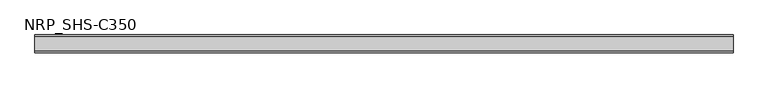
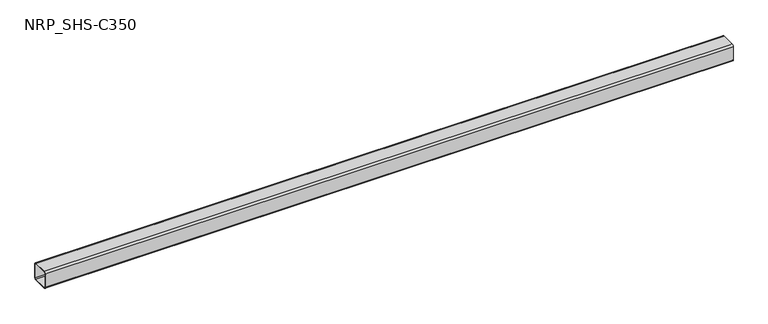
"""IFC4 building model written with IfcOpenShell, lengths in millimetres: member geometry, NRP_SHS-C350."""

import ifcopenshell
import ifcopenshell.guid

model = None  # the IFC model being written
_history = None  # IfcOwnerHistory: only IFC2X3 demands one
_inside = {}  # id of a spatial element -> (the spatial element, [elements in it])
_under = {}  # id of a project, library or spatial element -> (it, [spatial elements below it])
_declared = {}  # id of a project -> (the project, [libraries it declares])
_typed = {}  # id of a type object -> (the type object, [elements of that type])
_made_of = {}  # id of a material, layer set ... -> (it, [elements and type objects made of it])


def new_model(schema):
    """Start an empty IFC model of exactly this schema.

    Asked for "IFC4X3", IfcOpenShell would pick the latest addendum, in which some entities
    have other attributes; the version numbers below select the first issue.
    IFC2X3 requires an IfcOwnerHistory on every rooted entity: one is made here for all.
    """
    global model, _history
    if schema == "IFC4X3":
        model = ifcopenshell.file(schema_version=(4, 3, 0, 0))
    else:
        model = ifcopenshell.file(schema=schema)
    _inside.clear()
    _under.clear()
    _declared.clear()
    _typed.clear()
    _made_of.clear()
    _history = None
    if model.schema == "IFC2X3":
        org = make("IfcOrganization", Name="unknown")
        user = make(
            "IfcPersonAndOrganization",
            ThePerson=make("IfcPerson", FamilyName="unknown"),
            TheOrganization=org,
        )
        app = make(
            "IfcApplication",
            ApplicationDeveloper=org,
            Version="unknown",
            ApplicationFullName="unknown",
            ApplicationIdentifier="unknown",
        )
        _history = make(
            "IfcOwnerHistory",
            OwningUser=user,
            OwningApplication=app,
            ChangeAction="ADDED",
            CreationDate=0,
        )
    return model


def make(cls, **values):
    """One entity of the class cls with the attributes given. An attribute that is None is left unset."""
    return model.create_entity(
        cls, **{name: value for name, value in values.items() if value is not None}
    )


def rooted(cls, **values):
    """An entity with a GlobalId (a new one), such as an element, a storey or a relation."""
    return make(cls, GlobalId=ifcopenshell.guid.new(), OwnerHistory=_history, **values)


def si_unit(unit_type, name, prefix=None):
    """IfcSIUnit, for example si_unit("LENGTHUNIT", "METRE", prefix="MILLI")."""
    return make("IfcSIUnit", UnitType=unit_type, Prefix=prefix, Name=name)


def assignment(units):
    """IfcUnitAssignment: the units of a project."""
    return None if units is None else make("IfcUnitAssignment", Units=units)


def point(xyz):
    """IfcCartesianPoint."""
    return None if xyz is None else make("IfcCartesianPoint", Coordinates=xyz)


def direction(xyz):
    """IfcDirection."""
    return None if xyz is None else make("IfcDirection", DirectionRatios=xyz)


def frame(location, z_axis=None, x_axis=None):
    """IfcAxis2Placement3D, a coordinate frame: its origin and axes. An axis left out is left unset."""
    return make(
        "IfcAxis2Placement3D",
        Location=point(location),
        Axis=direction(z_axis),
        RefDirection=direction(x_axis),
    )


def frame_2d(location, x_axis=None):
    """IfcAxis2Placement2D, a coordinate frame in the plane: its origin and x axis."""
    return make(
        "IfcAxis2Placement2D", Location=point(location), RefDirection=direction(x_axis)
    )


def origin():
    """The frame at (0, 0, 0) with its axes left unset."""
    return frame((0.0, 0.0, 0.0))


def place(relative_to, where):
    """IfcLocalPlacement: puts the frame where relative to a parent placement (None: the world)."""
    return make(
        "IfcLocalPlacement", PlacementRelTo=relative_to, RelativePlacement=where
    )


def context(
    kind, dimensions, precision=None, world=None, true_north=None, identifier=None
):
    """IfcGeometricRepresentationContext, for example the 3D "Model" context."""
    return make(
        "IfcGeometricRepresentationContext",
        ContextIdentifier=identifier,
        ContextType=kind,
        CoordinateSpaceDimension=dimensions,
        Precision=precision,
        WorldCoordinateSystem=world,
        TrueNorth=true_north,
    )


def project(units=None, contexts=None):
    """IfcProject with its units and contexts."""
    return rooted(
        "IfcProject",
        Name="project",
        RepresentationContexts=contexts,
        UnitsInContext=assignment(units),
    )


def spatial(cls, under=None, at=None, **own):
    """A site, building, storey or space (cls), placed at a placement, below another one or the project."""
    s = rooted(cls, ObjectPlacement=at, **own)
    if under is not None:
        _under.setdefault(under.id(), (under, []))[1].append(s)
    return s


def polyline(points):
    """IfcPolyline through the points."""
    return make("IfcPolyline", Points=[point(p) for p in points])


def circle_curve(where, radius):
    """IfcCircle in the frame where."""
    return make("IfcCircle", Position=where, Radius=radius)


def trimmed(basis, trim1, trim2, sense, master):
    """IfcTrimmedCurve: the piece of a basis curve between two trims."""
    return make(
        "IfcTrimmedCurve",
        BasisCurve=basis,
        Trim1=trim1,
        Trim2=trim2,
        SenseAgreement=sense,
        MasterRepresentation=master,
    )


def segment(curve, same_sense, transition):
    """IfcCompositeCurveSegment."""
    return make(
        "IfcCompositeCurveSegment",
        Transition=transition,
        SameSense=same_sense,
        ParentCurve=curve,
    )


def composite_curve(segments, self_intersect=None):
    """IfcCompositeCurve: segments joined end to end."""
    return make("IfcCompositeCurve", Segments=segments, SelfIntersect=self_intersect)


def outline(outer, holes=None, kind="AREA"):
    """IfcArbitraryClosedProfileDef: a profile drawn as a closed curve; with holes, ...WithVoids."""
    if holes is None:
        return make("IfcArbitraryClosedProfileDef", ProfileType=kind, OuterCurve=outer)
    return make(
        "IfcArbitraryProfileDefWithVoids",
        ProfileType=kind,
        OuterCurve=outer,
        InnerCurves=holes,
    )


def extrude(swept, where, along, depth):
    """IfcExtrudedAreaSolid: the profile swept, set in the frame where, extruded along a direction by depth."""
    return make(
        "IfcExtrudedAreaSolid",
        SweptArea=swept,
        Position=where,
        ExtrudedDirection=direction(along),
        Depth=depth,
    )


def shape(context_of_items, identifier, shape_type, items):
    """IfcShapeRepresentation: the items that make up one representation, for example the "Body"."""
    return make(
        "IfcShapeRepresentation",
        ContextOfItems=context_of_items,
        RepresentationIdentifier=identifier,
        RepresentationType=shape_type,
        Items=items,
    )


def source(mapping_origin, context_of_items, identifier, shape_type, items):
    """IfcRepresentationMap: a shape defined once, which mapped items show again and again."""
    return make(
        "IfcRepresentationMap",
        MappingOrigin=mapping_origin,
        MappedRepresentation=shape(context_of_items, identifier, shape_type, items),
    )


def transform(
    local_origin,
    x_axis=None,
    y_axis=None,
    z_axis=None,
    scale=None,
    scale2=None,
    scale3=None,
    uniform=True,
):
    """IfcCartesianTransformationOperator3D, or its non-uniform kind. x_axis, y_axis, z_axis: its Axis1, 2, 3."""
    if uniform:
        return make(
            "IfcCartesianTransformationOperator3D",
            Axis1=direction(x_axis),
            Axis2=direction(y_axis),
            LocalOrigin=point(local_origin),
            Scale=scale,
            Axis3=direction(z_axis),
        )
    return make(
        "IfcCartesianTransformationOperator3DnonUniform",
        Axis1=direction(x_axis),
        Axis2=direction(y_axis),
        LocalOrigin=point(local_origin),
        Scale=scale,
        Axis3=direction(z_axis),
        Scale2=scale2,
        Scale3=scale3,
    )


def mapped(mapping_source, mapping_target):
    """IfcMappedItem: shows the shape of a source again, moved by a transform."""
    return make(
        "IfcMappedItem", MappingSource=mapping_source, MappingTarget=mapping_target
    )


def made_of(thing, what):
    """Note that an element or type object is made of a material, layer set ...; save() writes the relation."""
    if what is not None:
        _made_of.setdefault(what.id(), (what, []))[1].append(thing)
    return thing


def element(
    cls,
    number,
    at=None,
    inside=None,
    cuts=None,
    type_object=None,
    material=None,
    context=None,
    identifier="Body",
    shape_type=None,
    held_by="IfcProductDefinitionShape",
    body=None,
    shapes=None,
    **own,
):
    """One element of the class cls, such as IfcWall. Its Tag is "e" and its number.

    at: its placement. inside: the storey or other place that contains it. cuts: it is an
    opening in that element (IfcRelVoidsElement). A single representation is given by context,
    identifier, shape_type and body (its items); several are given by shapes. held_by: the class
    of the entity that holds the representations. save() writes the other relations.
    """
    e = rooted(cls, Tag="e%d" % number, ObjectPlacement=at, **own)
    if body is not None:
        shapes = [shape(context, identifier, shape_type, body)]
    if shapes is not None:
        e.Representation = make(held_by, Representations=shapes)
    if inside is not None:
        _inside.setdefault(inside.id(), (inside, []))[1].append(e)
    if cuts is not None:
        rooted(
            "IfcRelVoidsElement", RelatingBuildingElement=cuts, RelatedOpeningElement=e
        )
    if type_object is not None:
        _typed.setdefault(type_object.id(), (type_object, []))[1].append(e)
    return made_of(e, material)


def aggregate(whole, parts):
    """IfcRelAggregates: a whole, such as a stair, and the parts it consists of."""
    return rooted("IfcRelAggregates", RelatingObject=whole, RelatedObjects=parts)


def save(model, path):
    """Write the relations noted so far, then the file.

    IfcRelAggregates (storeys below a building ...), IfcRelContainedInSpatialStructure (elements
    in a storey), IfcRelDefinesByType, IfcRelAssociatesMaterial and IfcRelDeclares: one each for
    every whole, place, type object, material and project.
    """
    for whole, parts in _under.values():
        aggregate(whole, parts)
    for where, things in _inside.values():
        rooted(
            "IfcRelContainedInSpatialStructure",
            RelatedElements=things,
            RelatingStructure=where,
        )
    for kind, things in _typed.values():
        rooted("IfcRelDefinesByType", RelatedObjects=things, RelatingType=kind)
    for what, things in _made_of.values():
        rooted("IfcRelAssociatesMaterial", RelatedObjects=things, RelatingMaterial=what)
    for by, libraries in _declared.values():
        rooted("IfcRelDeclares", RelatingContext=by, RelatedDefinitions=libraries)
    model.write(path)


def nrp_shs_c350_26af1800(model_context):
    return source(origin(), model_context, "Body", "SweptSolid", [
        extrude(outline(composite_curve([segment(trimmed(circle_curve(frame_2d((-35.75, 35.75)), 8.75), [point((-44.5, 35.75))], [point((-35.75, 44.5))], False, "CARTESIAN"), True, "CONTINUOUS"), segment(polyline([(-35.75, 44.5), (35.75, 44.5)]), True, "CONTINUOUS"), segment(trimmed(circle_curve(frame_2d((35.75, 35.75)), 8.75), [point((35.75, 44.5))], [point((44.5, 35.75))], False, "CARTESIAN"), True, "CONTINUOUS"), segment(polyline([(44.5, 35.75), (44.5, -35.75)]), True, "CONTINUOUS"), segment(trimmed(circle_curve(frame_2d((35.75, -35.75)), 8.75), [point((44.5, -35.75))], [point((35.75, -44.5))], False, "CARTESIAN"), True, "CONTINUOUS"), segment(polyline([(35.75, -44.5), (-35.75, -44.5)]), True, "CONTINUOUS"), segment(trimmed(circle_curve(frame_2d((-35.75, -35.75)), 8.75), [point((-35.75, -44.5))], [point((-44.5, -35.75))], False, "CARTESIAN"), True, "CONTINUOUS"), segment(polyline([(-44.5, -35.75), (-44.5, 35.75)]), True, "CONTINUOUS")], self_intersect=False), holes=[composite_curve([segment(polyline([(35.75, 41.0), (-35.75, 41.0)]), True, "CONTINUOUS"), segment(trimmed(circle_curve(frame_2d((-35.75, 35.75)), 5.25), [point((-35.75, 41.0))], [point((-41.0, 35.75))], True, "CARTESIAN"), True, "CONTINUOUS"), segment(polyline([(-41.0, 35.75), (-41.0, -35.75)]), True, "CONTINUOUS"), segment(trimmed(circle_curve(frame_2d((-35.75, -35.75)), 5.25), [point((-41.0, -35.75))], [point((-35.75, -41.0))], True, "CARTESIAN"), True, "CONTINUOUS"), segment(polyline([(-35.75, -41.0), (35.75, -41.0)]), True, "CONTINUOUS"), segment(trimmed(circle_curve(frame_2d((35.75, -35.75)), 5.25), [point((35.75, -41.0))], [point((41.0, -35.75))], True, "CARTESIAN"), True, "CONTINUOUS"), segment(polyline([(41.0, -35.75), (41.0, 35.75)]), True, "CONTINUOUS"), segment(trimmed(circle_curve(frame_2d((35.75, 35.75)), 5.25), [point((41.0, 35.75))], [point((35.75, 41.0))], True, "CARTESIAN"), True, "CONTINUOUS")], self_intersect=False)]), frame((-1740.0, 0.0, 0.0), z_axis=(1.0, 0.0, 0.0), x_axis=(0.0, 1.0, 0.0)), (0.0, 0.0, 1.0), 3474.0),
    ])


if __name__ == "__main__":
    model = new_model("IFC4")
    model_context = context("Model", 3, world=origin())
    ifc_project = project(units=[si_unit("LENGTHUNIT", "METRE", prefix="MILLI")], contexts=[model_context])
    site = spatial("IfcSite", under=ifc_project)
    building = spatial("IfcBuilding", under=site)
    placement = place(None, origin())
    nrp_shs_c350_shape = nrp_shs_c350_26af1800(model_context)
    element("IfcMember", 1, ObjectType="NRP_SHS-C350", at=placement, inside=building, context=model_context, shape_type="MappedRepresentation", body=[
        mapped(nrp_shs_c350_shape, transform((0.0, 0.0, 0.0), x_axis=(1.0, 0.0, 0.0), y_axis=(0.0, 1.0, 0.0), z_axis=(0.0, 0.0, 1.0))),
    ])
    save(model, "model.ifc")
